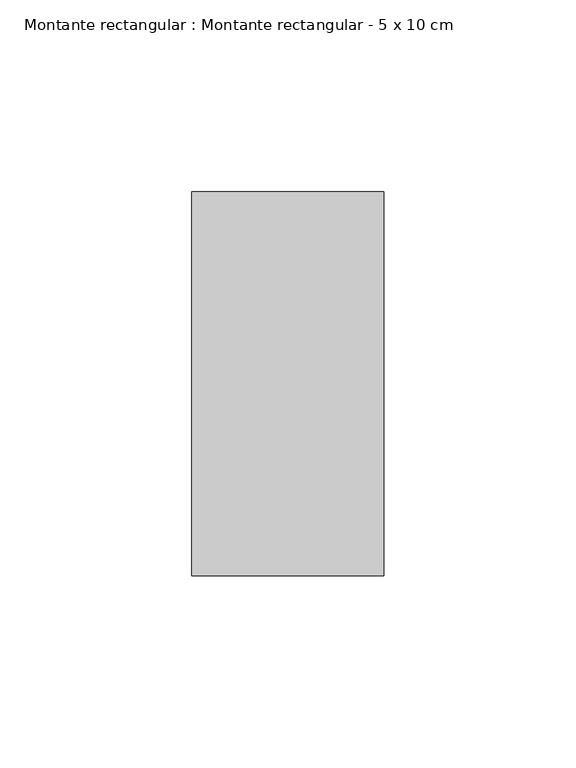
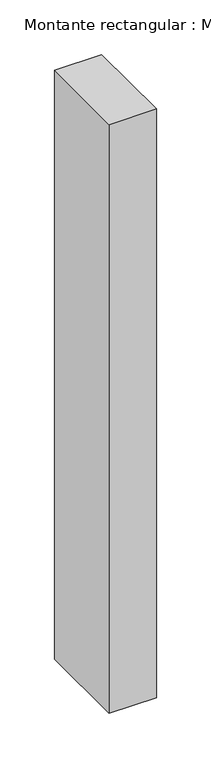
"""IFC4 building model written with IfcOpenShell, lengths in millimetres: member geometry, Montante rectangular : Montante rectangular - 5 x 10 cm."""

from ifc_helpers import new_model, si_unit, frame, origin, place, context, project, spatial, polyline, outline, extrude, source, transform, mapped, element, save


def montante_rectangular_montante_rectangular_5_x_10_cm_1a8f2963(model_context):
    return source(origin(), model_context, "Body", "SweptSolid", [
        extrude(outline(polyline([(0.0, 50.0), (0.0, -50.0), (-50.0, -50.0), (-50.0, 50.0), (0.0, 50.0)])), frame((0.0, 0.0, -657.9880917), z_axis=(0.0, 0.0, 1.0), x_axis=(1.0, 0.0, 0.0)), (0.0, 0.0, 1.0), 657.9880917),
    ])


if __name__ == "__main__":
    model = new_model("IFC4")
    model_context = context("Model", 3, world=origin())
    ifc_project = project(units=[si_unit("LENGTHUNIT", "METRE", prefix="MILLI")], contexts=[model_context])
    site = spatial("IfcSite", under=ifc_project)
    building = spatial("IfcBuilding", under=site)
    placement = place(None, origin())
    montante_rectangular_montante_rectangular_5_x_10_cm_shape = montante_rectangular_montante_rectangular_5_x_10_cm_1a8f2963(model_context)
    element("IfcMember", 1, ObjectType="Montante rectangular : Montante rectangular - 5 x 10 cm", at=placement, inside=building, context=model_context, shape_type="MappedRepresentation", body=[
        mapped(montante_rectangular_montante_rectangular_5_x_10_cm_shape, transform((0.0, 0.0, 0.0), x_axis=(1.0, 0.0, 0.0), y_axis=(0.0, 1.0, 0.0), z_axis=(0.0, 0.0, 1.0))),
    ])
    save(model, "model.ifc")
